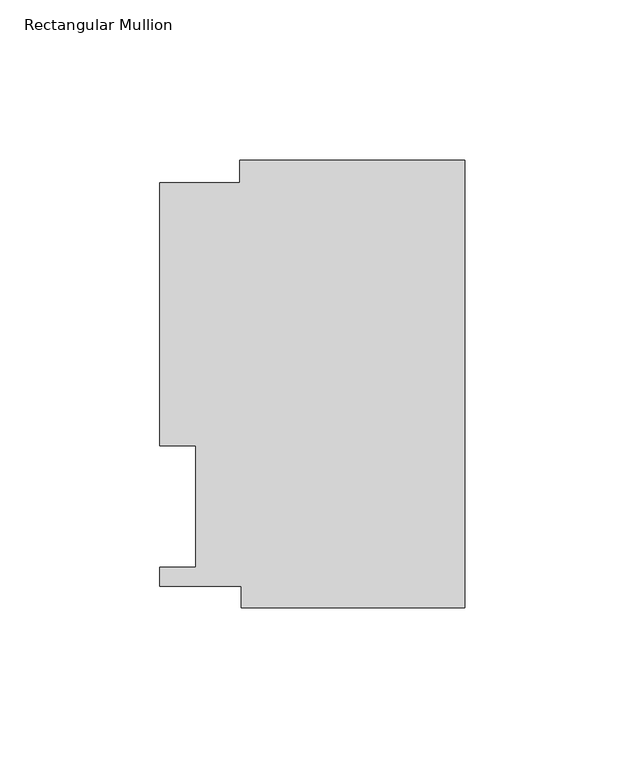
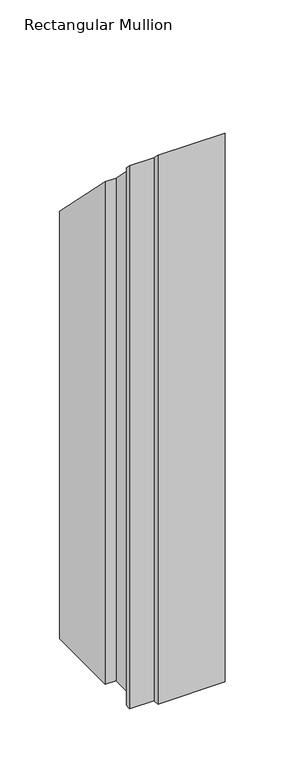
"""IFC4 building model written with IfcOpenShell, lengths in millimetres: member geometry, Rectangular Mullion."""

from ifc_helpers import new_model, si_unit, origin, place, context, project, spatial, faceted_brep, source, transform, mapped, element, save


def rectangular_mullion_ceca08f4(model_context):
    return source(origin(), model_context, "Body", "Brep", [
        faceted_brep([(-70.3072, 133.731, -595.6550284), (0.0, 133.731, -595.6550284), (0.0, -6.2260979, -595.6550284), (-69.85, -6.2260979, -595.6550284), (-69.85, 0.4064, -595.6550284), (-95.25, 0.4064, -595.6550284), (-95.25, 6.35, -595.6550284), (-84.1375, 6.35, -595.6550284), (-84.1375, 44.45, -595.6550284), (-95.25, 44.45, -595.6550284), (-95.25, 126.619, -595.6550284), (-70.3072, 126.619, -595.6550284), (-70.3072, 126.619, -126.619), (-70.3072, 133.731, -133.731), (-95.25, 126.619, -126.619), (-95.25, 44.45, -44.45), (-84.1375, 44.45, -44.45), (-84.1375, 6.35, -6.35), (-95.25, 6.35, -6.35), (-95.25, 0.4064, -0.4064), (-69.85, 0.4064, -0.4064), (-69.85, -6.2260979, 6.2260979), (0.0, -6.2260979, 6.2260979), (0.0, 133.731, -133.731)], [[[0, 1, 2, 3, 4, 5, 6, 7, 8, 9, 10, 11]], [[12, 13, 0, 11]], [[14, 12, 11, 10]], [[15, 14, 10, 9]], [[16, 15, 9, 8]], [[17, 16, 8, 7]], [[18, 17, 7, 6]], [[19, 18, 6, 5]], [[20, 19, 5, 4]], [[21, 20, 4, 3]], [[22, 21, 3, 2]], [[23, 22, 2, 1]], [[13, 23, 1, 0]], [[13, 12, 14, 15, 16, 17, 18, 19, 20, 21, 22, 23]]]),
    ])


if __name__ == "__main__":
    model = new_model("IFC4")
    model_context = context("Model", 3, world=origin())
    ifc_project = project(units=[si_unit("LENGTHUNIT", "METRE", prefix="MILLI")], contexts=[model_context])
    site = spatial("IfcSite", under=ifc_project)
    building = spatial("IfcBuilding", under=site)
    placement = place(None, origin())
    rectangular_mullion_shape = rectangular_mullion_ceca08f4(model_context)
    element("IfcMember", 1, ObjectType="Rectangular Mullion", at=placement, inside=building, context=model_context, shape_type="MappedRepresentation", body=[
        mapped(rectangular_mullion_shape, transform((0.0, 0.0, 0.0), x_axis=(1.0, 0.0, 0.0), y_axis=(0.0, 1.0, 0.0), z_axis=(0.0, 0.0, 1.0))),
    ])
    save(model, "model.ifc")
